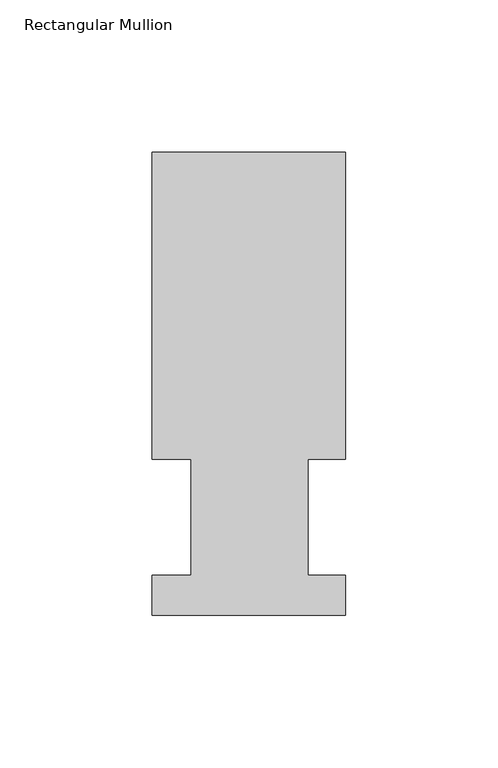
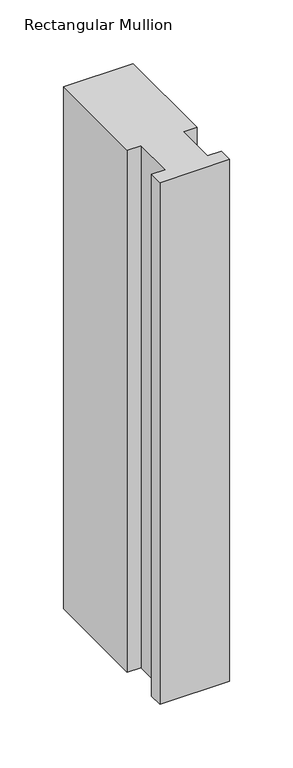
"""IFC4 building model written with IfcOpenShell, lengths in millimetres: member geometry, Rectangular Mullion."""

import ifcopenshell
import ifcopenshell.guid

model = None  # the IFC model being written
_history = None  # IfcOwnerHistory: only IFC2X3 demands one
_inside = {}  # id of a spatial element -> (the spatial element, [elements in it])
_under = {}  # id of a project, library or spatial element -> (it, [spatial elements below it])
_declared = {}  # id of a project -> (the project, [libraries it declares])
_typed = {}  # id of a type object -> (the type object, [elements of that type])
_made_of = {}  # id of a material, layer set ... -> (it, [elements and type objects made of it])


def new_model(schema):
    """Start an empty IFC model of exactly this schema.

    Asked for "IFC4X3", IfcOpenShell would pick the latest addendum, in which some entities
    have other attributes; the version numbers below select the first issue.
    IFC2X3 requires an IfcOwnerHistory on every rooted entity: one is made here for all.
    """
    global model, _history
    if schema == "IFC4X3":
        model = ifcopenshell.file(schema_version=(4, 3, 0, 0))
    else:
        model = ifcopenshell.file(schema=schema)
    _inside.clear()
    _under.clear()
    _declared.clear()
    _typed.clear()
    _made_of.clear()
    _history = None
    if model.schema == "IFC2X3":
        org = make("IfcOrganization", Name="unknown")
        user = make(
            "IfcPersonAndOrganization",
            ThePerson=make("IfcPerson", FamilyName="unknown"),
            TheOrganization=org,
        )
        app = make(
            "IfcApplication",
            ApplicationDeveloper=org,
            Version="unknown",
            ApplicationFullName="unknown",
            ApplicationIdentifier="unknown",
        )
        _history = make(
            "IfcOwnerHistory",
            OwningUser=user,
            OwningApplication=app,
            ChangeAction="ADDED",
            CreationDate=0,
        )
    return model


def make(cls, **values):
    """One entity of the class cls with the attributes given. An attribute that is None is left unset."""
    return model.create_entity(
        cls, **{name: value for name, value in values.items() if value is not None}
    )


def rooted(cls, **values):
    """An entity with a GlobalId (a new one), such as an element, a storey or a relation."""
    return make(cls, GlobalId=ifcopenshell.guid.new(), OwnerHistory=_history, **values)


def si_unit(unit_type, name, prefix=None):
    """IfcSIUnit, for example si_unit("LENGTHUNIT", "METRE", prefix="MILLI")."""
    return make("IfcSIUnit", UnitType=unit_type, Prefix=prefix, Name=name)


def assignment(units):
    """IfcUnitAssignment: the units of a project."""
    return None if units is None else make("IfcUnitAssignment", Units=units)


def point(xyz):
    """IfcCartesianPoint."""
    return None if xyz is None else make("IfcCartesianPoint", Coordinates=xyz)


def direction(xyz):
    """IfcDirection."""
    return None if xyz is None else make("IfcDirection", DirectionRatios=xyz)


def frame(location, z_axis=None, x_axis=None):
    """IfcAxis2Placement3D, a coordinate frame: its origin and axes. An axis left out is left unset."""
    return make(
        "IfcAxis2Placement3D",
        Location=point(location),
        Axis=direction(z_axis),
        RefDirection=direction(x_axis),
    )


def origin():
    """The frame at (0, 0, 0) with its axes left unset."""
    return frame((0.0, 0.0, 0.0))


def place(relative_to, where):
    """IfcLocalPlacement: puts the frame where relative to a parent placement (None: the world)."""
    return make(
        "IfcLocalPlacement", PlacementRelTo=relative_to, RelativePlacement=where
    )


def context(
    kind, dimensions, precision=None, world=None, true_north=None, identifier=None
):
    """IfcGeometricRepresentationContext, for example the 3D "Model" context."""
    return make(
        "IfcGeometricRepresentationContext",
        ContextIdentifier=identifier,
        ContextType=kind,
        CoordinateSpaceDimension=dimensions,
        Precision=precision,
        WorldCoordinateSystem=world,
        TrueNorth=true_north,
    )


def project(units=None, contexts=None):
    """IfcProject with its units and contexts."""
    return rooted(
        "IfcProject",
        Name="project",
        RepresentationContexts=contexts,
        UnitsInContext=assignment(units),
    )


def spatial(cls, under=None, at=None, **own):
    """A site, building, storey or space (cls), placed at a placement, below another one or the project."""
    s = rooted(cls, ObjectPlacement=at, **own)
    if under is not None:
        _under.setdefault(under.id(), (under, []))[1].append(s)
    return s


def polyline(points):
    """IfcPolyline through the points."""
    return make("IfcPolyline", Points=[point(p) for p in points])


def outline(outer, holes=None, kind="AREA"):
    """IfcArbitraryClosedProfileDef: a profile drawn as a closed curve; with holes, ...WithVoids."""
    if holes is None:
        return make("IfcArbitraryClosedProfileDef", ProfileType=kind, OuterCurve=outer)
    return make(
        "IfcArbitraryProfileDefWithVoids",
        ProfileType=kind,
        OuterCurve=outer,
        InnerCurves=holes,
    )


def extrude(swept, where, along, depth):
    """IfcExtrudedAreaSolid: the profile swept, set in the frame where, extruded along a direction by depth."""
    return make(
        "IfcExtrudedAreaSolid",
        SweptArea=swept,
        Position=where,
        ExtrudedDirection=direction(along),
        Depth=depth,
    )


def shape(context_of_items, identifier, shape_type, items):
    """IfcShapeRepresentation: the items that make up one representation, for example the "Body"."""
    return make(
        "IfcShapeRepresentation",
        ContextOfItems=context_of_items,
        RepresentationIdentifier=identifier,
        RepresentationType=shape_type,
        Items=items,
    )


def source(mapping_origin, context_of_items, identifier, shape_type, items):
    """IfcRepresentationMap: a shape defined once, which mapped items show again and again."""
    return make(
        "IfcRepresentationMap",
        MappingOrigin=mapping_origin,
        MappedRepresentation=shape(context_of_items, identifier, shape_type, items),
    )


def transform(
    local_origin,
    x_axis=None,
    y_axis=None,
    z_axis=None,
    scale=None,
    scale2=None,
    scale3=None,
    uniform=True,
):
    """IfcCartesianTransformationOperator3D, or its non-uniform kind. x_axis, y_axis, z_axis: its Axis1, 2, 3."""
    if uniform:
        return make(
            "IfcCartesianTransformationOperator3D",
            Axis1=direction(x_axis),
            Axis2=direction(y_axis),
            LocalOrigin=point(local_origin),
            Scale=scale,
            Axis3=direction(z_axis),
        )
    return make(
        "IfcCartesianTransformationOperator3DnonUniform",
        Axis1=direction(x_axis),
        Axis2=direction(y_axis),
        LocalOrigin=point(local_origin),
        Scale=scale,
        Axis3=direction(z_axis),
        Scale2=scale2,
        Scale3=scale3,
    )


def mapped(mapping_source, mapping_target):
    """IfcMappedItem: shows the shape of a source again, moved by a transform."""
    return make(
        "IfcMappedItem", MappingSource=mapping_source, MappingTarget=mapping_target
    )


def made_of(thing, what):
    """Note that an element or type object is made of a material, layer set ...; save() writes the relation."""
    if what is not None:
        _made_of.setdefault(what.id(), (what, []))[1].append(thing)
    return thing


def element(
    cls,
    number,
    at=None,
    inside=None,
    cuts=None,
    type_object=None,
    material=None,
    context=None,
    identifier="Body",
    shape_type=None,
    held_by="IfcProductDefinitionShape",
    body=None,
    shapes=None,
    **own,
):
    """One element of the class cls, such as IfcWall. Its Tag is "e" and its number.

    at: its placement. inside: the storey or other place that contains it. cuts: it is an
    opening in that element (IfcRelVoidsElement). A single representation is given by context,
    identifier, shape_type and body (its items); several are given by shapes. held_by: the class
    of the entity that holds the representations. save() writes the other relations.
    """
    e = rooted(cls, Tag="e%d" % number, ObjectPlacement=at, **own)
    if body is not None:
        shapes = [shape(context, identifier, shape_type, body)]
    if shapes is not None:
        e.Representation = make(held_by, Representations=shapes)
    if inside is not None:
        _inside.setdefault(inside.id(), (inside, []))[1].append(e)
    if cuts is not None:
        rooted(
            "IfcRelVoidsElement", RelatingBuildingElement=cuts, RelatedOpeningElement=e
        )
    if type_object is not None:
        _typed.setdefault(type_object.id(), (type_object, []))[1].append(e)
    return made_of(e, material)


def aggregate(whole, parts):
    """IfcRelAggregates: a whole, such as a stair, and the parts it consists of."""
    return rooted("IfcRelAggregates", RelatingObject=whole, RelatedObjects=parts)


def save(model, path):
    """Write the relations noted so far, then the file.

    IfcRelAggregates (storeys below a building ...), IfcRelContainedInSpatialStructure (elements
    in a storey), IfcRelDefinesByType, IfcRelAssociatesMaterial and IfcRelDeclares: one each for
    every whole, place, type object, material and project.
    """
    for whole, parts in _under.values():
        aggregate(whole, parts)
    for where, things in _inside.values():
        rooted(
            "IfcRelContainedInSpatialStructure",
            RelatedElements=things,
            RelatingStructure=where,
        )
    for kind, things in _typed.values():
        rooted("IfcRelDefinesByType", RelatedObjects=things, RelatingType=kind)
    for what, things in _made_of.values():
        rooted("IfcRelAssociatesMaterial", RelatedObjects=things, RelatingMaterial=what)
    for by, libraries in _declared.values():
        rooted("IfcRelDeclares", RelatingContext=by, RelatedDefinitions=libraries)
    model.write(path)


def rectangular_mullion_45f51a67(model_context):
    return source(origin(), model_context, "Body", "SweptSolid", [
        extrude(outline(polyline([(0.0, 151.9816937), (0.0, 51.2960938), (-12.3418395, 51.2960937), (-12.3418395, 13.1960937), (0.0, 13.1960937), (0.0, 0.0134937), (-63.5, 0.0134937), (-63.5, 13.1960937), (-50.8, 13.1960937), (-50.8, 51.2960938), (-63.5, 51.2960938), (-63.5, 151.9816937), (0.0, 151.9816937)])), frame((0.0, 0.0, -501.65), z_axis=(0.0, 0.0, 1.0), x_axis=(1.0, 0.0, 0.0)), (0.0, 0.0, 1.0), 501.65),
    ])


if __name__ == "__main__":
    model = new_model("IFC4")
    model_context = context("Model", 3, world=origin())
    ifc_project = project(units=[si_unit("LENGTHUNIT", "METRE", prefix="MILLI")], contexts=[model_context])
    site = spatial("IfcSite", under=ifc_project)
    building = spatial("IfcBuilding", under=site)
    placement = place(None, origin())
    rectangular_mullion_shape = rectangular_mullion_45f51a67(model_context)
    element("IfcMember", 1, ObjectType="Rectangular Mullion", at=placement, inside=building, context=model_context, shape_type="MappedRepresentation", body=[
        mapped(rectangular_mullion_shape, transform((0.0, 0.0, 0.0), x_axis=(1.0, 0.0, 0.0), y_axis=(0.0, 1.0, 0.0), z_axis=(0.0, 0.0, 1.0))),
    ])
    save(model, "model.ifc")
